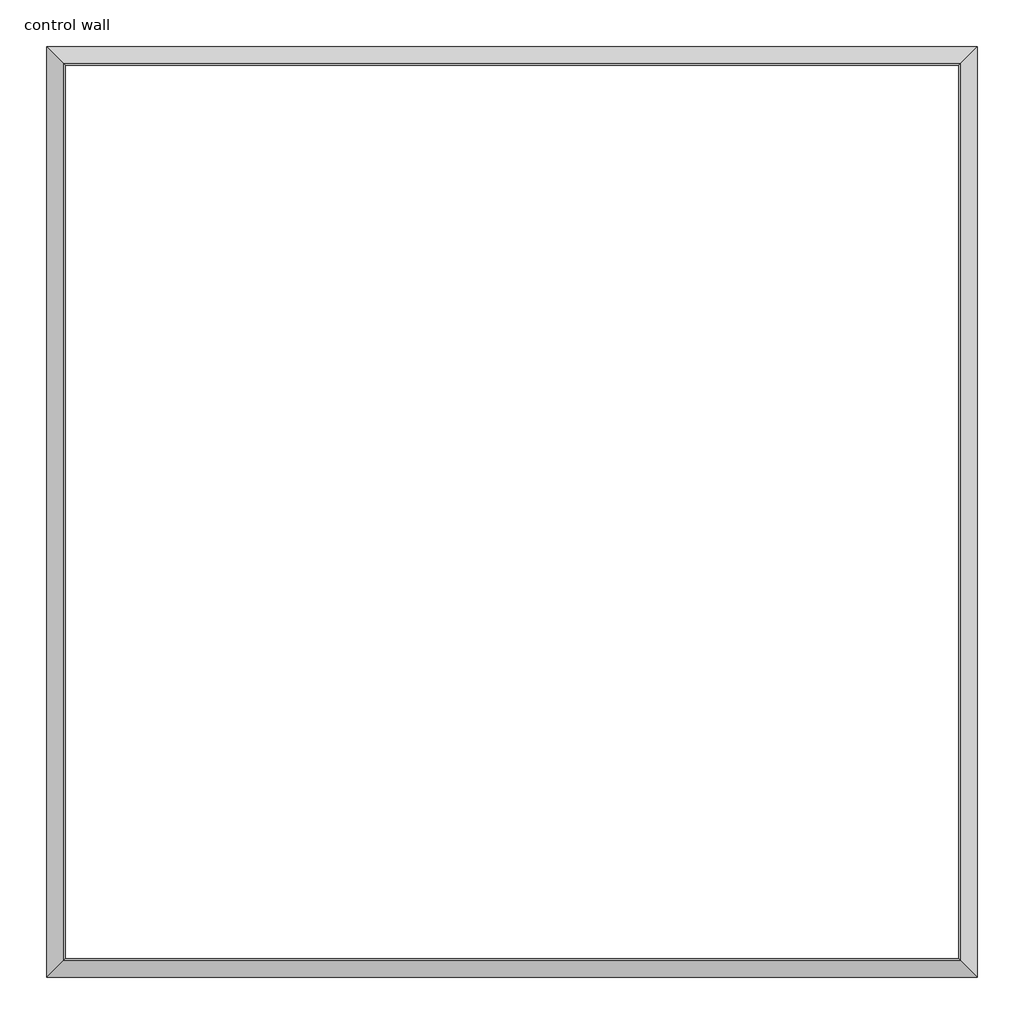
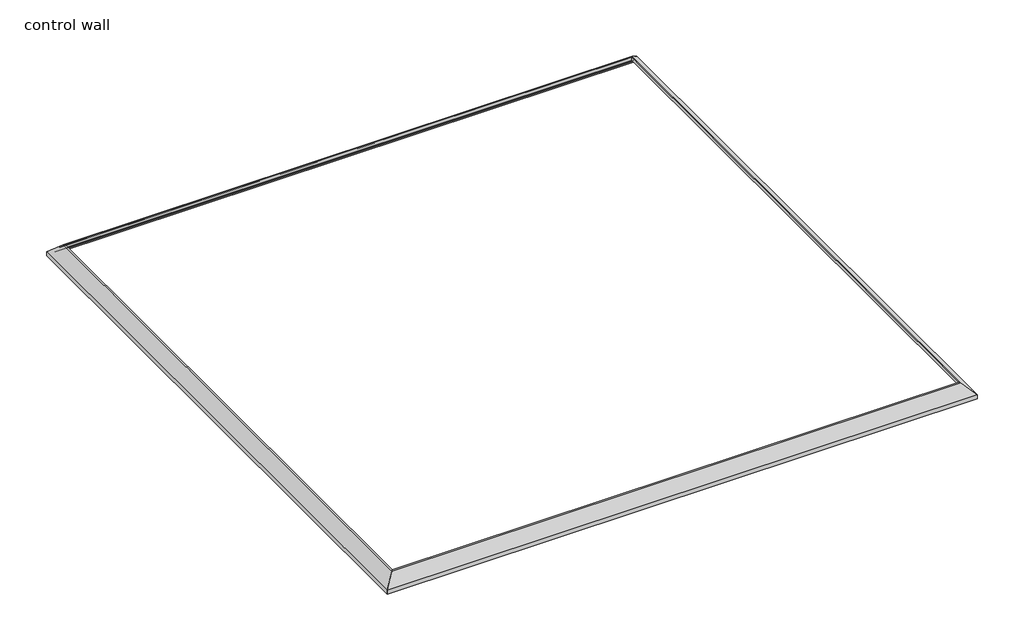
# One storey: 4 proxies.
"""IFC4 building model written with IfcOpenShell, lengths in millimetres."""

from ifc_helpers import new_model, si_unit, frame, origin, place, context, project, spatial, polyline, ellipse_curve, element, save
from ifc_brep_helpers import plane_surface, cylinder_surface, revolved_surface, advanced_brep

model = new_model("IFC4")

# Units and contexts
model_context = context("Model", 3, world=origin())
ifc_project = project(units=[si_unit("LENGTHUNIT", "METRE", prefix="MILLI")], contexts=[model_context])

# Site, building, storey
site = spatial("IfcSite", under=ifc_project)
building = spatial("IfcBuilding", under=site)
storey = spatial("IfcBuildingStorey", under=building, Name="control wall", Elevation=2133.6)

# Proxies
placement = place(None, origin())
element("IfcBuildingElementProxy", 1, Name="Wall Sweeps", at=placement, inside=storey, context=model_context, shape_type="AdvancedBrep", body=[
    advanced_brep(
    [(30835.1284839, -21164.0946785, 2678.1793892), (30835.1284839, -21164.0946785, 2654.3), (30826.1482278, -21173.0749346, 2654.3), (30826.1482278, -21173.0749346, 2663.2802561), (30812.6778436, -21186.5453188, 2676.7506403), (30812.6778436, -21186.5453188, 2683.1006403), (30792.1531637, -21207.0699987, 2703.6253202), (30771.6284839, -21227.5946785, 2724.15), (30762.0051751, -21237.2179873, 2724.15), (30762.0051751, -21237.2179873, 2743.2), (30770.1078731, -21229.1152893, 2743.2), (30835.1284839, -24821.6946785, 2678.1793892), (30770.1078731, -24756.6740677, 2743.2), (30762.0051751, -24748.5713697, 2743.2), (30762.0051751, -24748.5713697, 2724.15), (30771.6284839, -24758.1946785, 2724.15), (30792.1531637, -24778.7193584, 2703.6253202), (30812.6778436, -24799.2440382, 2683.1006403), (30812.6778436, -24799.2440382, 2676.7506403), (30826.1482278, -24812.7144224, 2663.2802561), (30826.1482278, -24812.7144224, 2654.3), (30835.1284839, -24821.6946785, 2654.3)],
    [
        (0, 1),
        (1, 2),
        (2, 3),
        (3, 4, ellipse_curve(frame((30812.6778436, -21186.5453188, 2663.2802561), z_axis=(0.7071067811865476, -0.7071067811865476, 0.0), x_axis=(-0.7071067811865476, -0.7071067811865474, 0.0)), 19.05, 13.4703842)),
        (4, 5),
        (5, 6, ellipse_curve(frame((30812.6778436, -21186.5453188, 2703.6253202), z_axis=(-0.7071067811865476, 0.7071067811865476, 0.0), x_axis=(0.7071067811865476, 0.7071067811865474, 0.0)), 29.0262806, 20.5246798)),
        (6, 7, ellipse_curve(frame((30771.6284839, -21227.5946785, 2703.6253202), z_axis=(0.7071067811865476, -0.7071067811865476, 0.0), x_axis=(-0.7071067811865476, -0.7071067811865474, 0.0)), 29.0262806, 20.5246798)),
        (7, 8),
        (8, 9),
        (9, 10),
        (10, 0),
        (11, 12),
        (12, 13),
        (13, 14),
        (14, 15),
        (15, 16, ellipse_curve(frame((30771.6284839, -24758.1946785, 2703.6253202), z_axis=(0.7071067811865476, 0.7071067811865476, 0.0), x_axis=(0.7071067811865476, -0.7071067811865474, 0.0)), 29.0262806, 20.5246798)),
        (16, 17, ellipse_curve(frame((30812.6778436, -24799.2440382, 2703.6253202), z_axis=(-0.7071067811865476, -0.7071067811865476, 0.0), x_axis=(-0.7071067811865476, 0.7071067811865474, 0.0)), 29.0262806, 20.5246798)),
        (17, 18),
        (18, 19, ellipse_curve(frame((30812.6778436, -24799.2440382, 2663.2802561), z_axis=(0.7071067811865476, 0.7071067811865476, 0.0), x_axis=(0.7071067811865476, -0.7071067811865474, 0.0)), 19.05, 13.4703842)),
        (19, 20),
        (20, 21),
        (21, 11),
        (0, 11),
        (21, 1),
        (20, 2),
        (19, 3),
        (18, 4),
        (17, 5),
        (16, 6),
        (15, 7),
        (14, 8),
        (13, 9),
        (12, 10),
    ],
    [
        plane_surface(frame((30835.1284839, -21164.0946785, 2959.1), z_axis=(-0.7071067811865476, 0.7071067811865476, 0.0), x_axis=(-0.7071067811865476, -0.7071067811865476, 0.0))),
        plane_surface(frame((30835.1284839, -24821.6946785, 2959.1), z_axis=(-0.7071067811865476, -0.7071067811865476, 0.0), x_axis=(-0.7071067811865476, 0.7071067811865476, 0.0))),
        plane_surface(frame((30835.1284839, -21164.0946785, 2678.1793892), z_axis=(1.0, 0.0, 0.0), x_axis=(0.0, -1.0, 0.0))),
        plane_surface(frame((30835.1284839, -21164.0946785, 2654.3), z_axis=(0.0, 0.0, -1.0), x_axis=(0.0, -1.0, 0.0))),
        plane_surface(frame((30826.1482278, -21173.0749346, 2654.3), z_axis=(-1.0, 0.0, 0.0), x_axis=(0.0, -1.0, 0.0))),
        revolved_surface(polyline([(30799.207459399997, -24812.7144224, 2663.2802561), (30799.207459399997, -21173.0749346, 2663.2802561)]), (30812.6778436, -21164.0946785, 2663.2802561), (0.0, -1.0, 0.0)),
        plane_surface(frame((30812.6778436, -21186.5453188, 2676.7506403), z_axis=(-1.0, 0.0, 0.0), x_axis=(0.0, -1.0, 0.0))),
        cylinder_surface(frame((30812.6778436, -21164.0946785, 2703.6253202), z_axis=(0.0, 1.0, 0.0), x_axis=(-1.0, 0.0, 0.0)), 20.5246798),
        revolved_surface(polyline([(30751.1038041, -24778.7193584, 2703.6253202), (30751.1038041, -21207.06999865512, 2703.6253202)]), (30771.6284839, -21164.0946785, 2703.6253202), (0.0, -1.0, 0.0)),
        plane_surface(frame((30771.6284839, -21227.5946785, 2724.15), z_axis=(0.0, 0.0, -1.0), x_axis=(0.0, -1.0, 0.0))),
        plane_surface(frame((30762.0051751, -21237.2179873, 2724.15), z_axis=(-1.0, 0.0, 0.0), x_axis=(0.0, -1.0, 0.0))),
        plane_surface(frame((30762.0051751, -21237.2179873, 2743.2), z_axis=(0.0, 0.0, 1.0), x_axis=(0.0, -1.0, 0.0))),
        plane_surface(frame((30770.1078731, -21229.1152893, 2743.2), z_axis=(0.707106781186547, 0.0, 0.707106781186548), x_axis=(0.0, -1.0, 0.0))),
    ],
    [
        (0, [[1, 2, 3, 4, 5, 6, 7, 8, 9, 10, 11]]),
        (1, [[12, 13, 14, 15, 16, 17, 18, 19, 20, 21, 22]]),
        (2, [[-1, 23, -22, 24]]),
        (3, [[-2, -24, -21, 25]]),
        (4, [[-3, -25, -20, 26]]),
        (5, [[-4, -26, -19, 27]]),
        (6, [[-5, -27, -18, 28]]),
        (7, [[-6, -28, -17, 29]]),
        (8, [[-7, -29, -16, 30]]),
        (9, [[-8, -30, -15, 31]]),
        (10, [[-9, -31, -14, 32]]),
        (11, [[-10, -32, -13, 33]]),
        (12, [[-11, -33, -12, -23]]),
    ],
),
])
element("IfcBuildingElementProxy", 2, Name="Wall Sweeps", at=placement, inside=storey, context=model_context, shape_type="AdvancedBrep", body=[
    advanced_brep(
    [(27177.5284839, -21164.0946785, 2678.1793892), (27242.5490947, -21229.1152893, 2743.2), (27250.6517927, -21237.2179873, 2743.2), (27250.6517927, -21237.2179873, 2724.15), (27241.0284839, -21227.5946785, 2724.15), (27220.503804, -21207.0699987, 2703.6253202), (27199.9791242, -21186.5453188, 2683.1006403), (27199.9791242, -21186.5453188, 2676.7506403), (27186.50874, -21173.0749346, 2663.2802561), (27186.50874, -21173.0749346, 2654.3), (27177.5284839, -21164.0946785, 2654.3), (27177.5284839, -24821.6946785, 2678.1793892), (27177.5284839, -24821.6946785, 2654.3), (27186.50874, -24812.7144224, 2654.3), (27186.50874, -24812.7144224, 2663.2802561), (27199.9791242, -24799.2440382, 2676.7506403), (27199.9791242, -24799.2440382, 2683.1006403), (27220.503804, -24778.7193584, 2703.6253202), (27241.0284839, -24758.1946785, 2724.15), (27250.6517927, -24748.5713697, 2724.15), (27250.6517927, -24748.5713697, 2743.2), (27242.5490947, -24756.6740677, 2743.2)],
    [
        (0, 1),
        (1, 2),
        (2, 3),
        (3, 4),
        (4, 5, ellipse_curve(frame((27241.0284839, -21227.5946785, 2703.6253202), z_axis=(-0.7071067811865476, -0.7071067811865476, 0.0), x_axis=(0.7071067811865476, -0.7071067811865474, 0.0)), 29.0262806, 20.5246798)),
        (5, 6, ellipse_curve(frame((27199.9791242, -21186.5453188, 2703.6253202), z_axis=(0.7071067811865476, 0.7071067811865476, 0.0), x_axis=(-0.7071067811865476, 0.7071067811865474, 0.0)), 29.0262806, 20.5246798)),
        (6, 7),
        (7, 8, ellipse_curve(frame((27199.9791242, -21186.5453188, 2663.2802561), z_axis=(-0.7071067811865476, -0.7071067811865476, 0.0), x_axis=(0.7071067811865476, -0.7071067811865474, 0.0)), 19.05, 13.4703842)),
        (8, 9),
        (9, 10),
        (10, 0),
        (11, 12),
        (12, 13),
        (13, 14),
        (14, 15, ellipse_curve(frame((27199.9791242, -24799.2440382, 2663.2802561), z_axis=(-0.7071067811865476, 0.7071067811865476, 0.0), x_axis=(-0.7071067811865476, -0.7071067811865474, 0.0)), 19.05, 13.4703842)),
        (15, 16),
        (16, 17, ellipse_curve(frame((27199.9791242, -24799.2440382, 2703.6253202), z_axis=(0.7071067811865476, -0.7071067811865476, 0.0), x_axis=(0.7071067811865476, 0.7071067811865474, 0.0)), 29.0262806, 20.5246798)),
        (17, 18, ellipse_curve(frame((27241.0284839, -24758.1946785, 2703.6253202), z_axis=(-0.7071067811865476, 0.7071067811865476, 0.0), x_axis=(-0.7071067811865476, -0.7071067811865474, 0.0)), 29.0262806, 20.5246798)),
        (18, 19),
        (19, 20),
        (20, 21),
        (21, 11),
        (10, 12),
        (11, 0),
        (9, 13),
        (8, 14),
        (7, 15),
        (6, 16),
        (5, 17),
        (4, 18),
        (3, 19),
        (2, 20),
        (1, 21),
    ],
    [
        plane_surface(frame((27177.5284839, -21164.0946785, 2349.5), z_axis=(0.7071067811865476, 0.7071067811865476, 0.0), x_axis=(0.7071067811865476, -0.7071067811865476, 0.0))),
        plane_surface(frame((27177.5284839, -24821.6946785, 2349.5), z_axis=(0.7071067811865476, -0.7071067811865476, 0.0), x_axis=(0.7071067811865476, 0.7071067811865476, 0.0))),
        plane_surface(frame((27177.5284839, -21164.0946785, 2654.3), z_axis=(-1.0, 0.0, 0.0), x_axis=(0.0, -1.0, 0.0))),
        plane_surface(frame((27186.50874, -21173.0749346, 2654.3), z_axis=(0.0, 0.0, -1.0), x_axis=(0.0, -1.0, 0.0))),
        plane_surface(frame((27186.50874, -21173.0749346, 2663.2802561), z_axis=(1.0, 0.0, 0.0), x_axis=(0.0, -1.0, 0.0))),
        revolved_surface(polyline([(27213.4495084, -24812.7144224, 2663.2802561), (27213.4495084, -21173.0749346, 2663.2802561)]), (27199.9791242, -21164.0946785, 2663.2802561), (0.0, -1.0, 0.0)),
        plane_surface(frame((27199.9791242, -21186.5453188, 2683.1006403), z_axis=(1.0, 0.0, 0.0), x_axis=(0.0, -1.0, 0.0))),
        cylinder_surface(frame((27199.9791242, -21164.0946785, 2703.6253202), z_axis=(0.0, 1.0, 0.0), x_axis=(1.0, 0.0, 0.0)), 20.5246798),
        revolved_surface(polyline([(27261.553163700002, -24778.7193584, 2703.6253202), (27261.553163700002, -21207.06999865512, 2703.6253202)]), (27241.0284839, -21164.0946785, 2703.6253202), (0.0, -1.0, 0.0)),
        plane_surface(frame((27250.6517927, -21237.2179873, 2724.15), z_axis=(0.0, 0.0, -1.0), x_axis=(0.0, -1.0, 0.0))),
        plane_surface(frame((27250.6517927, -21237.2179873, 2743.2), z_axis=(1.0, 0.0, 0.0), x_axis=(0.0, -1.0, 0.0))),
        plane_surface(frame((27242.5490947, -21229.1152893, 2743.2), z_axis=(0.0, 0.0, 1.0), x_axis=(0.0, -1.0, 0.0))),
        plane_surface(frame((27177.5284839, -21164.0946785, 2678.1793892), z_axis=(-0.707106781186547, 0.0, 0.707106781186548), x_axis=(0.0, -1.0, 0.0))),
    ],
    [
        (0, [[1, 2, 3, 4, 5, 6, 7, 8, 9, 10, 11]]),
        (1, [[12, 13, 14, 15, 16, 17, 18, 19, 20, 21, 22]]),
        (2, [[-11, 23, -12, 24]]),
        (3, [[-10, 25, -13, -23]]),
        (4, [[-9, 26, -14, -25]]),
        (5, [[-8, 27, -15, -26]]),
        (6, [[-7, 28, -16, -27]]),
        (7, [[-6, 29, -17, -28]]),
        (8, [[-5, 30, -18, -29]]),
        (9, [[-4, 31, -19, -30]]),
        (10, [[-3, 32, -20, -31]]),
        (11, [[-2, 33, -21, -32]]),
        (12, [[-1, -24, -22, -33]]),
    ],
),
])
element("IfcBuildingElementProxy", 3, Name="Wall Sweeps", at=placement, inside=storey, context=model_context, shape_type="AdvancedBrep", body=[
    advanced_brep(
    [(27177.5284839, -21164.0946785, 2678.1793892), (27177.5284839, -21164.0946785, 2654.3), (27186.50874, -21173.0749346, 2654.3), (27186.50874, -21173.0749346, 2663.2802561), (27199.9791242, -21186.5453188, 2676.7506403), (27199.9791242, -21186.5453188, 2683.1006403), (27220.503804, -21207.0699987, 2703.6253202), (27241.0284839, -21227.5946785, 2724.15), (27250.6517927, -21237.2179873, 2724.15), (27250.6517927, -21237.2179873, 2743.2), (27242.5490947, -21229.1152893, 2743.2), (30835.1284839, -21164.0946785, 2678.1793892), (30770.1078731, -21229.1152893, 2743.2), (30762.0051751, -21237.2179873, 2743.2), (30762.0051751, -21237.2179873, 2724.15), (30771.6284839, -21227.5946785, 2724.15), (30792.1531637, -21207.0699987, 2703.6253202), (30812.6778436, -21186.5453188, 2683.1006403), (30812.6778436, -21186.5453188, 2676.7506403), (30826.1482278, -21173.0749346, 2663.2802561), (30826.1482278, -21173.0749346, 2654.3), (30835.1284839, -21164.0946785, 2654.3)],
    [
        (0, 1),
        (1, 2),
        (2, 3),
        (3, 4, ellipse_curve(frame((27199.9791242, -21186.5453188, 2663.2802561), z_axis=(0.7071067811865476, 0.7071067811865476, 0.0), x_axis=(0.7071067811865474, -0.7071067811865476, 0.0)), 19.05, 13.4703842)),
        (4, 5),
        (5, 6, ellipse_curve(frame((27199.9791242, -21186.5453188, 2703.6253202), z_axis=(-0.7071067811865476, -0.7071067811865476, 0.0), x_axis=(-0.7071067811865474, 0.7071067811865476, 0.0)), 29.0262806, 20.5246798)),
        (6, 7, ellipse_curve(frame((27241.0284839, -21227.5946785, 2703.6253202), z_axis=(0.7071067811865476, 0.7071067811865476, 0.0), x_axis=(0.7071067811865474, -0.7071067811865476, 0.0)), 29.0262806, 20.5246798)),
        (7, 8),
        (8, 9),
        (9, 10),
        (10, 0),
        (11, 12),
        (12, 13),
        (13, 14),
        (14, 15),
        (15, 16, ellipse_curve(frame((30771.6284839, -21227.5946785, 2703.6253202), z_axis=(-0.7071067811865476, 0.7071067811865476, 0.0), x_axis=(0.7071067811865474, 0.7071067811865476, 0.0)), 29.0262806, 20.5246798)),
        (16, 17, ellipse_curve(frame((30812.6778436, -21186.5453188, 2703.6253202), z_axis=(0.7071067811865476, -0.7071067811865476, 0.0), x_axis=(-0.7071067811865474, -0.7071067811865476, 0.0)), 29.0262806, 20.5246798)),
        (17, 18),
        (18, 19, ellipse_curve(frame((30812.6778436, -21186.5453188, 2663.2802561), z_axis=(-0.7071067811865476, 0.7071067811865476, 0.0), x_axis=(0.7071067811865474, 0.7071067811865476, 0.0)), 19.05, 13.4703842)),
        (19, 20),
        (20, 21),
        (21, 11),
        (0, 11),
        (21, 1),
        (20, 2),
        (19, 3),
        (18, 4),
        (17, 5),
        (16, 6),
        (15, 7),
        (14, 8),
        (13, 9),
        (12, 10),
    ],
    [
        plane_surface(frame((27177.5284839, -21164.0946785, 2959.1), z_axis=(-0.7071067811865476, -0.7071067811865476, 0.0), x_axis=(0.7071067811865476, -0.7071067811865476, 0.0))),
        plane_surface(frame((30835.1284839, -21164.0946785, 2959.1), z_axis=(0.7071067811865476, -0.7071067811865476, 0.0), x_axis=(-0.7071067811865476, -0.7071067811865476, 0.0))),
        plane_surface(frame((27177.5284839, -21164.0946785, 2678.1793892), z_axis=(0.0, 1.0, 0.0), x_axis=(1.0, 0.0, 0.0))),
        plane_surface(frame((27177.5284839, -21164.0946785, 2654.3), z_axis=(0.0, 0.0, -1.0), x_axis=(1.0, 0.0, 0.0))),
        plane_surface(frame((27186.50874, -21173.0749346, 2654.3), z_axis=(0.0, -1.0, 0.0), x_axis=(1.0, 0.0, 0.0))),
        revolved_surface(polyline([(30826.1482278, -21200.015703, 2663.2802561), (27186.50874, -21200.015703, 2663.2802561)]), (27177.5284839, -21186.5453188, 2663.2802561), (1.0, 0.0, 0.0)),
        plane_surface(frame((27199.9791242, -21186.5453188, 2676.7506403), z_axis=(0.0, -1.0, 0.0), x_axis=(1.0, 0.0, 0.0))),
        cylinder_surface(frame((27177.5284839, -21186.5453188, 2703.6253202), z_axis=(-1.0, 0.0, 0.0), x_axis=(0.0, -1.0, 0.0)), 20.5246798),
        revolved_surface(polyline([(30792.153163744882, -21248.119358300002, 2703.6253202), (27220.503804, -21248.119358300002, 2703.6253202)]), (27177.5284839, -21227.5946785, 2703.6253202), (1.0, 0.0, 0.0)),
        plane_surface(frame((27241.0284839, -21227.5946785, 2724.15), z_axis=(0.0, 0.0, -1.0), x_axis=(1.0, 0.0, 0.0))),
        plane_surface(frame((27250.6517927, -21237.2179873, 2724.15), z_axis=(0.0, -1.0, 0.0), x_axis=(1.0, 0.0, 0.0))),
        plane_surface(frame((27250.6517927, -21237.2179873, 2743.2), z_axis=(0.0, 0.0, 1.0), x_axis=(1.0, 0.0, 0.0))),
        plane_surface(frame((27242.5490947, -21229.1152893, 2743.2), z_axis=(0.0, 0.707106781186547, 0.707106781186548), x_axis=(1.0, 0.0, 0.0))),
    ],
    [
        (0, [[1, 2, 3, 4, 5, 6, 7, 8, 9, 10, 11]]),
        (1, [[12, 13, 14, 15, 16, 17, 18, 19, 20, 21, 22]]),
        (2, [[-1, 23, -22, 24]]),
        (3, [[-2, -24, -21, 25]]),
        (4, [[-3, -25, -20, 26]]),
        (5, [[-4, -26, -19, 27]]),
        (6, [[-5, -27, -18, 28]]),
        (7, [[-6, -28, -17, 29]]),
        (8, [[-7, -29, -16, 30]]),
        (9, [[-8, -30, -15, 31]]),
        (10, [[-9, -31, -14, 32]]),
        (11, [[-10, -32, -13, 33]]),
        (12, [[-11, -33, -12, -23]]),
    ],
),
])
element("IfcBuildingElementProxy", 4, Name="Wall Sweeps", at=placement, inside=storey, context=model_context, shape_type="AdvancedBrep", body=[
    advanced_brep(
    [(27177.5284839, -24821.6946785, 2678.1793892), (27242.5490947, -24756.6740677, 2743.2), (27250.6517927, -24748.5713697, 2743.2), (27250.6517927, -24748.5713697, 2724.15), (27241.0284839, -24758.1946785, 2724.15), (27220.503804, -24778.7193584, 2703.6253202), (27199.9791242, -24799.2440382, 2683.1006403), (27199.9791242, -24799.2440382, 2676.7506403), (27186.50874, -24812.7144224, 2663.2802561), (27186.50874, -24812.7144224, 2654.3), (27177.5284839, -24821.6946785, 2654.3), (30835.1284839, -24821.6946785, 2678.1793892), (30835.1284839, -24821.6946785, 2654.3), (30826.1482278, -24812.7144224, 2654.3), (30826.1482278, -24812.7144224, 2663.2802561), (30812.6778436, -24799.2440382, 2676.7506403), (30812.6778436, -24799.2440382, 2683.1006403), (30792.1531637, -24778.7193584, 2703.6253202), (30771.6284839, -24758.1946785, 2724.15), (30762.0051751, -24748.5713697, 2724.15), (30762.0051751, -24748.5713697, 2743.2), (30770.1078731, -24756.6740677, 2743.2)],
    [
        (0, 1),
        (1, 2),
        (2, 3),
        (3, 4),
        (4, 5, ellipse_curve(frame((27241.0284839, -24758.1946785, 2703.6253202), z_axis=(0.7071067811865476, -0.7071067811865476, 0.0), x_axis=(0.7071067811865475, 0.7071067811865475, 0.0)), 29.0262806, 20.5246798)),
        (5, 6, ellipse_curve(frame((27199.9791242, -24799.2440382, 2703.6253202), z_axis=(-0.7071067811865476, 0.7071067811865476, 0.0), x_axis=(-0.7071067811865475, -0.7071067811865475, 0.0)), 29.0262806, 20.5246798)),
        (6, 7),
        (7, 8, ellipse_curve(frame((27199.9791242, -24799.2440382, 2663.2802561), z_axis=(0.7071067811865476, -0.7071067811865476, 0.0), x_axis=(0.7071067811865475, 0.7071067811865475, 0.0)), 19.05, 13.4703842)),
        (8, 9),
        (9, 10),
        (10, 0),
        (11, 12),
        (12, 13),
        (13, 14),
        (14, 15, ellipse_curve(frame((30812.6778436, -24799.2440382, 2663.2802561), z_axis=(-0.7071067811865476, -0.7071067811865476, 0.0), x_axis=(0.7071067811865474, -0.7071067811865477, 0.0)), 19.05, 13.4703842)),
        (15, 16),
        (16, 17, ellipse_curve(frame((30812.6778436, -24799.2440382, 2703.6253202), z_axis=(0.7071067811865476, 0.7071067811865476, 0.0), x_axis=(-0.7071067811865474, 0.7071067811865477, 0.0)), 29.0262806, 20.5246798)),
        (17, 18, ellipse_curve(frame((30771.6284839, -24758.1946785, 2703.6253202), z_axis=(-0.7071067811865476, -0.7071067811865476, 0.0), x_axis=(0.7071067811865474, -0.7071067811865477, 0.0)), 29.0262806, 20.5246798)),
        (18, 19),
        (19, 20),
        (20, 21),
        (21, 11),
        (10, 12),
        (11, 0),
        (9, 13),
        (8, 14),
        (7, 15),
        (6, 16),
        (5, 17),
        (4, 18),
        (3, 19),
        (2, 20),
        (1, 21),
    ],
    [
        plane_surface(frame((27177.5284839, -24821.6946785, 2349.5), z_axis=(-0.7071067811865476, 0.7071067811865476, 0.0), x_axis=(0.7071067811865476, 0.7071067811865476, 0.0))),
        plane_surface(frame((30835.1284839, -24821.6946785, 2349.5), z_axis=(0.7071067811865476, 0.7071067811865476, 0.0), x_axis=(-0.7071067811865476, 0.7071067811865476, 0.0))),
        plane_surface(frame((27177.5284839, -24821.6946785, 2654.3), z_axis=(0.0, -1.0, 0.0), x_axis=(1.0, 0.0, 0.0))),
        plane_surface(frame((27186.50874, -24812.7144224, 2654.3), z_axis=(0.0, 0.0, -1.0), x_axis=(1.0, 0.0, 0.0))),
        plane_surface(frame((27186.50874, -24812.7144224, 2663.2802561), z_axis=(0.0, 1.0, 0.0), x_axis=(1.0, 0.0, 0.0))),
        revolved_surface(polyline([(30826.1482278, -24785.773653999997, 2663.2802561), (27186.50874, -24785.773653999997, 2663.2802561)]), (27177.5284839, -24799.2440382, 2663.2802561), (1.0, 0.0, 0.0)),
        plane_surface(frame((27199.9791242, -24799.2440382, 2683.1006403), z_axis=(0.0, 1.0, 0.0), x_axis=(1.0, 0.0, 0.0))),
        cylinder_surface(frame((27177.5284839, -24799.2440382, 2703.6253202), z_axis=(-1.0, 0.0, 0.0), x_axis=(0.0, 1.0, 0.0)), 20.5246798),
        revolved_surface(polyline([(30792.153163744882, -24737.6699987, 2703.6253202), (27220.503804, -24737.6699987, 2703.6253202)]), (27177.5284839, -24758.1946785, 2703.6253202), (1.0, 0.0, 0.0)),
        plane_surface(frame((27250.6517927, -24748.5713697, 2724.15), z_axis=(0.0, 0.0, -1.0), x_axis=(1.0, 0.0, 0.0))),
        plane_surface(frame((27250.6517927, -24748.5713697, 2743.2), z_axis=(0.0, 1.0, 0.0), x_axis=(1.0, 0.0, 0.0))),
        plane_surface(frame((27242.5490947, -24756.6740677, 2743.2), z_axis=(0.0, 0.0, 1.0), x_axis=(1.0, 0.0, 0.0))),
        plane_surface(frame((27177.5284839, -24821.6946785, 2678.1793892), z_axis=(0.0, -0.707106781186547, 0.707106781186548), x_axis=(1.0, 0.0, 0.0))),
    ],
    [
        (0, [[1, 2, 3, 4, 5, 6, 7, 8, 9, 10, 11]]),
        (1, [[12, 13, 14, 15, 16, 17, 18, 19, 20, 21, 22]]),
        (2, [[-11, 23, -12, 24]]),
        (3, [[-10, 25, -13, -23]]),
        (4, [[-9, 26, -14, -25]]),
        (5, [[-8, 27, -15, -26]]),
        (6, [[-7, 28, -16, -27]]),
        (7, [[-6, 29, -17, -28]]),
        (8, [[-5, 30, -18, -29]]),
        (9, [[-4, 31, -19, -30]]),
        (10, [[-3, 32, -20, -31]]),
        (11, [[-2, 33, -21, -32]]),
        (12, [[-1, -24, -22, -33]]),
    ],
),
])

save(model, "model.ifc")
